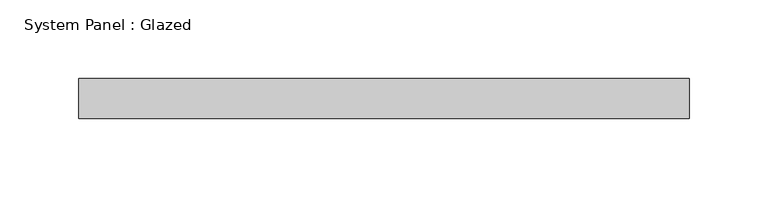
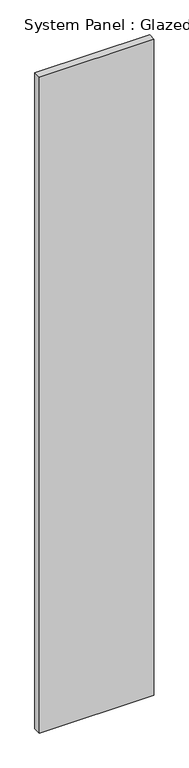
"""IFC4 building model written with IfcOpenShell, lengths in millimetres: plate geometry, System Panel : Glazed."""

from ifc_helpers import new_model, si_unit, origin, origin_with_axes, place, context, project, spatial, polyline, outline, extrude, source, transform, mapped, element, save


def system_panel_glazed_2ed164ae(model_context):
    return source(origin(), model_context, "Body", "SweptSolid", [
        extrude(outline(polyline([(193.675, -44.45), (-193.675, -44.45), (-193.675, -19.05), (193.675, -19.05), (193.675, -44.45)])), origin_with_axes(), (0.0, 0.0, 1.0), 2343.15),
    ])


if __name__ == "__main__":
    model = new_model("IFC4")
    model_context = context("Model", 3, world=origin())
    ifc_project = project(units=[si_unit("LENGTHUNIT", "METRE", prefix="MILLI")], contexts=[model_context])
    site = spatial("IfcSite", under=ifc_project)
    building = spatial("IfcBuilding", under=site)
    placement = place(None, origin())
    system_panel_glazed_shape = system_panel_glazed_2ed164ae(model_context)
    element("IfcPlate", 1, ObjectType="System Panel : Glazed", at=placement, inside=building, context=model_context, shape_type="MappedRepresentation", body=[
        mapped(system_panel_glazed_shape, transform((0.0, 0.0, 0.0), x_axis=(1.0, 0.0, 0.0), y_axis=(0.0, 1.0, 0.0), z_axis=(0.0, 0.0, 1.0))),
    ])
    save(model, "model.ifc")
